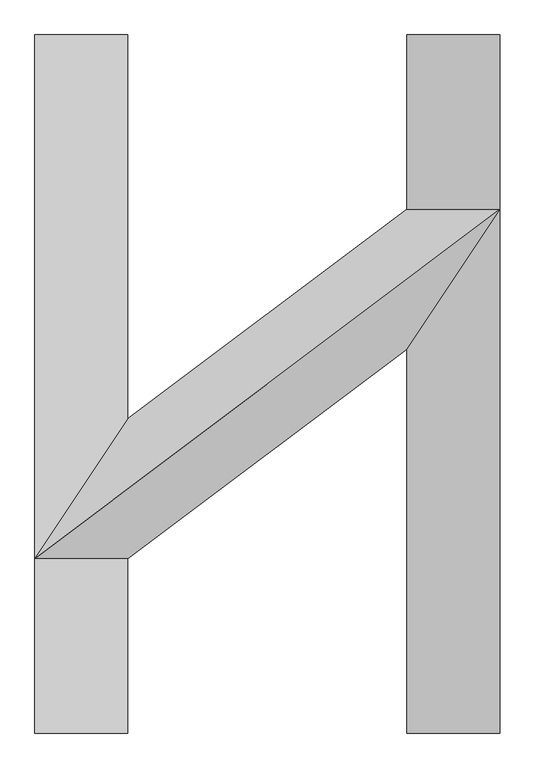
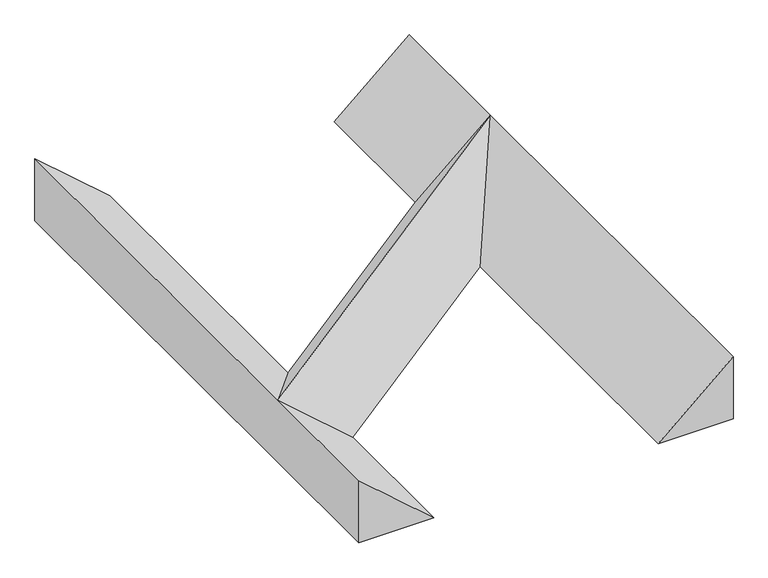
"""IFC4 building model written with IfcOpenShell, lengths in millimetres: proxy geometry."""

from ifc_helpers import new_model, si_unit, frame, origin, place, context, project, spatial, polyline, outline, extrude, faceted_brep, source, transform, mapped, element, save


def generic_models_e47848c2(model_context):
    return source(origin(), model_context, "Body", "SolidModel", [
        faceted_brep([(-1200.0, -300.0, 0.0), (-2000.0, -1500.0, 700.0), (2000.0, 1500.0, 700.0), (1200.0, 1500.0, 0.0), (-1200.0, -1500.0, 0.0), (1200.0, 300.0, 0.0)], [[[0, 1, 2, 3]], [[1, 4, 5, 2]], [[4, 0, 3, 5]], [[3, 2, 5]], [[0, 4, 1]]]),
        extrude(outline(polyline([(0.0, 2000.0), (700.0, 2000.0), (0.0, 1200.0), (0.0, 2000.0)])), frame((0.0, -3000.0, 0.0), z_axis=(0.0, 1.0, 0.0), x_axis=(0.0, 0.0, 1.0)), (0.0, 0.0, 1.0), 6000.0),
        extrude(outline(polyline([(700.0, -2000.0), (0.0, -2000.0), (0.0, -1200.0), (700.0, -2000.0)])), frame((0.0, -3000.0, 0.0), z_axis=(0.0, 1.0, 0.0), x_axis=(0.0, 0.0, 1.0)), (0.0, 0.0, 1.0), 6000.0),
    ])


if __name__ == "__main__":
    model = new_model("IFC4")
    model_context = context("Model", 3, world=origin())
    ifc_project = project(units=[si_unit("LENGTHUNIT", "METRE", prefix="MILLI")], contexts=[model_context])
    site = spatial("IfcSite", under=ifc_project)
    building = spatial("IfcBuilding", under=site)
    placement = place(None, origin())
    generic_models_shape = generic_models_e47848c2(model_context)
    element("IfcBuildingElementProxy", 1, Name="Generic Models", at=placement, inside=building, context=model_context, shape_type="MappedRepresentation", body=[
        mapped(generic_models_shape, transform((0.0, 0.0, 0.0), x_axis=(1.0, 0.0, 0.0), y_axis=(0.0, 1.0, 0.0), z_axis=(0.0, 0.0, 1.0))),
    ])
    save(model, "model.ifc")
